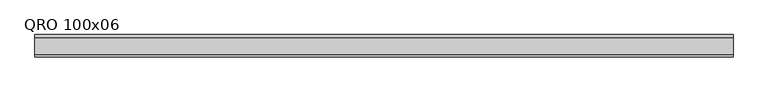
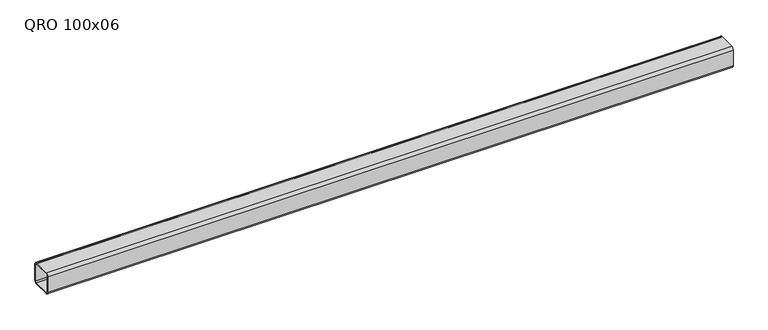
"""IFC4 building model written with IfcOpenShell, lengths in millimetres: beam geometry, QRO 100x06."""

from ifc_helpers import new_model, si_unit, point, frame, frame_2d, origin, place, context, project, spatial, polyline, circle_curve, trimmed, segment, composite_curve, outline, extrude, source, transform, mapped, element, save


def qro_100x06_a923481d(model_context):
    return source(origin(), model_context, "Body", "SweptSolid", [
        extrude(outline(composite_curve([segment(polyline([(50.0, 38.0), (50.0, -38.0)]), True, "CONTINUOUS"), segment(trimmed(circle_curve(frame_2d((38.0, -38.0)), 12.0), [point((50.0, -38.0))], [point((38.0, -50.0))], False, "CARTESIAN"), True, "CONTINUOUS"), segment(polyline([(38.0, -50.0), (-38.0, -50.0)]), True, "CONTINUOUS"), segment(trimmed(circle_curve(frame_2d((-38.0, -38.0)), 12.0), [point((-38.0, -50.0))], [point((-50.0, -38.0))], False, "CARTESIAN"), True, "CONTINUOUS"), segment(polyline([(-50.0, -38.0), (-50.0, 38.0)]), True, "CONTINUOUS"), segment(trimmed(circle_curve(frame_2d((-38.0, 38.0)), 12.0), [point((-50.0, 38.0))], [point((-38.0, 50.0))], False, "CARTESIAN"), True, "CONTINUOUS"), segment(polyline([(-38.0, 50.0), (38.0, 50.0)]), True, "CONTINUOUS"), segment(trimmed(circle_curve(frame_2d((38.0, 38.0)), 12.0), [point((38.0, 50.0))], [point((50.0, 38.0))], False, "CARTESIAN"), True, "CONTINUOUS")], self_intersect=False), holes=[composite_curve([segment(trimmed(circle_curve(frame_2d((-38.0, 38.0)), 6.0), [point((-38.0, 44.0))], [point((-44.0, 38.0))], True, "CARTESIAN"), True, "CONTINUOUS"), segment(polyline([(-44.0, 38.0), (-44.0, -38.0)]), True, "CONTINUOUS"), segment(trimmed(circle_curve(frame_2d((-38.0, -38.0)), 6.0), [point((-44.0, -38.0))], [point((-38.0, -44.0))], True, "CARTESIAN"), True, "CONTINUOUS"), segment(polyline([(-38.0, -44.0), (38.0, -44.0)]), True, "CONTINUOUS"), segment(trimmed(circle_curve(frame_2d((38.0, -38.0)), 6.0), [point((38.0, -44.0))], [point((44.0, -38.0))], True, "CARTESIAN"), True, "CONTINUOUS"), segment(polyline([(44.0, -38.0), (44.0, 38.0)]), True, "CONTINUOUS"), segment(trimmed(circle_curve(frame_2d((38.0, 38.0)), 6.0), [point((44.0, 38.0))], [point((38.0, 44.0))], True, "CARTESIAN"), True, "CONTINUOUS"), segment(polyline([(38.0, 44.0), (-38.0, 44.0)]), True, "CONTINUOUS")], self_intersect=False)]), frame((-1645.0639883, 0.0, 0.0), z_axis=(1.0, 0.0, 0.0), x_axis=(0.0, 1.0, 0.0)), (0.0, 0.0, 1.0), 3103.5383162),
    ])


if __name__ == "__main__":
    model = new_model("IFC4")
    model_context = context("Model", 3, world=origin())
    ifc_project = project(units=[si_unit("LENGTHUNIT", "METRE", prefix="MILLI")], contexts=[model_context])
    site = spatial("IfcSite", under=ifc_project)
    building = spatial("IfcBuilding", under=site)
    placement = place(None, origin())
    qro_100x06_shape = qro_100x06_a923481d(model_context)
    element("IfcBeam", 1, ObjectType="QRO 100x06", at=placement, inside=building, context=model_context, shape_type="MappedRepresentation", body=[
        mapped(qro_100x06_shape, transform((0.0, 0.0, 0.0), x_axis=(1.0, 0.0, 0.0), y_axis=(0.0, 1.0, 0.0), z_axis=(0.0, 0.0, 1.0))),
    ])
    save(model, "model.ifc")
